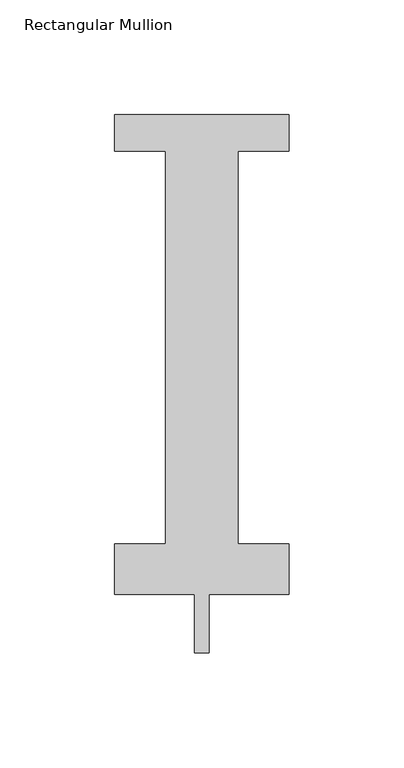
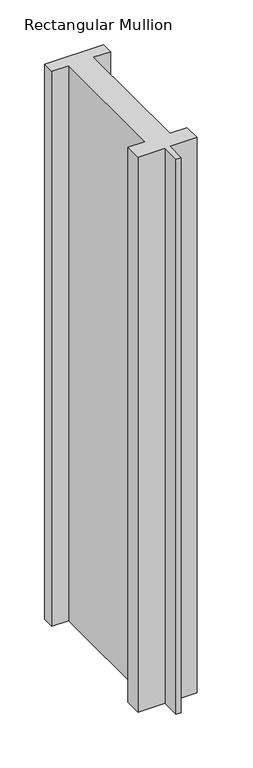
"""IFC4 building model written with IfcOpenShell, lengths in millimetres: member geometry, Rectangular Mullion."""

import ifcopenshell
import ifcopenshell.guid

model = None  # the IFC model being written
_history = None  # IfcOwnerHistory: only IFC2X3 demands one
_inside = {}  # id of a spatial element -> (the spatial element, [elements in it])
_under = {}  # id of a project, library or spatial element -> (it, [spatial elements below it])
_declared = {}  # id of a project -> (the project, [libraries it declares])
_typed = {}  # id of a type object -> (the type object, [elements of that type])
_made_of = {}  # id of a material, layer set ... -> (it, [elements and type objects made of it])


def new_model(schema):
    """Start an empty IFC model of exactly this schema.

    Asked for "IFC4X3", IfcOpenShell would pick the latest addendum, in which some entities
    have other attributes; the version numbers below select the first issue.
    IFC2X3 requires an IfcOwnerHistory on every rooted entity: one is made here for all.
    """
    global model, _history
    if schema == "IFC4X3":
        model = ifcopenshell.file(schema_version=(4, 3, 0, 0))
    else:
        model = ifcopenshell.file(schema=schema)
    _inside.clear()
    _under.clear()
    _declared.clear()
    _typed.clear()
    _made_of.clear()
    _history = None
    if model.schema == "IFC2X3":
        org = make("IfcOrganization", Name="unknown")
        user = make(
            "IfcPersonAndOrganization",
            ThePerson=make("IfcPerson", FamilyName="unknown"),
            TheOrganization=org,
        )
        app = make(
            "IfcApplication",
            ApplicationDeveloper=org,
            Version="unknown",
            ApplicationFullName="unknown",
            ApplicationIdentifier="unknown",
        )
        _history = make(
            "IfcOwnerHistory",
            OwningUser=user,
            OwningApplication=app,
            ChangeAction="ADDED",
            CreationDate=0,
        )
    return model


def make(cls, **values):
    """One entity of the class cls with the attributes given. An attribute that is None is left unset."""
    return model.create_entity(
        cls, **{name: value for name, value in values.items() if value is not None}
    )


def rooted(cls, **values):
    """An entity with a GlobalId (a new one), such as an element, a storey or a relation."""
    return make(cls, GlobalId=ifcopenshell.guid.new(), OwnerHistory=_history, **values)


def si_unit(unit_type, name, prefix=None):
    """IfcSIUnit, for example si_unit("LENGTHUNIT", "METRE", prefix="MILLI")."""
    return make("IfcSIUnit", UnitType=unit_type, Prefix=prefix, Name=name)


def assignment(units):
    """IfcUnitAssignment: the units of a project."""
    return None if units is None else make("IfcUnitAssignment", Units=units)


def point(xyz):
    """IfcCartesianPoint."""
    return None if xyz is None else make("IfcCartesianPoint", Coordinates=xyz)


def direction(xyz):
    """IfcDirection."""
    return None if xyz is None else make("IfcDirection", DirectionRatios=xyz)


def frame(location, z_axis=None, x_axis=None):
    """IfcAxis2Placement3D, a coordinate frame: its origin and axes. An axis left out is left unset."""
    return make(
        "IfcAxis2Placement3D",
        Location=point(location),
        Axis=direction(z_axis),
        RefDirection=direction(x_axis),
    )


def origin():
    """The frame at (0, 0, 0) with its axes left unset."""
    return frame((0.0, 0.0, 0.0))


def place(relative_to, where):
    """IfcLocalPlacement: puts the frame where relative to a parent placement (None: the world)."""
    return make(
        "IfcLocalPlacement", PlacementRelTo=relative_to, RelativePlacement=where
    )


def context(
    kind, dimensions, precision=None, world=None, true_north=None, identifier=None
):
    """IfcGeometricRepresentationContext, for example the 3D "Model" context."""
    return make(
        "IfcGeometricRepresentationContext",
        ContextIdentifier=identifier,
        ContextType=kind,
        CoordinateSpaceDimension=dimensions,
        Precision=precision,
        WorldCoordinateSystem=world,
        TrueNorth=true_north,
    )


def project(units=None, contexts=None):
    """IfcProject with its units and contexts."""
    return rooted(
        "IfcProject",
        Name="project",
        RepresentationContexts=contexts,
        UnitsInContext=assignment(units),
    )


def spatial(cls, under=None, at=None, **own):
    """A site, building, storey or space (cls), placed at a placement, below another one or the project."""
    s = rooted(cls, ObjectPlacement=at, **own)
    if under is not None:
        _under.setdefault(under.id(), (under, []))[1].append(s)
    return s


def polyline(points):
    """IfcPolyline through the points."""
    return make("IfcPolyline", Points=[point(p) for p in points])


def outline(outer, holes=None, kind="AREA"):
    """IfcArbitraryClosedProfileDef: a profile drawn as a closed curve; with holes, ...WithVoids."""
    if holes is None:
        return make("IfcArbitraryClosedProfileDef", ProfileType=kind, OuterCurve=outer)
    return make(
        "IfcArbitraryProfileDefWithVoids",
        ProfileType=kind,
        OuterCurve=outer,
        InnerCurves=holes,
    )


def extrude(swept, where, along, depth):
    """IfcExtrudedAreaSolid: the profile swept, set in the frame where, extruded along a direction by depth."""
    return make(
        "IfcExtrudedAreaSolid",
        SweptArea=swept,
        Position=where,
        ExtrudedDirection=direction(along),
        Depth=depth,
    )


def shape(context_of_items, identifier, shape_type, items):
    """IfcShapeRepresentation: the items that make up one representation, for example the "Body"."""
    return make(
        "IfcShapeRepresentation",
        ContextOfItems=context_of_items,
        RepresentationIdentifier=identifier,
        RepresentationType=shape_type,
        Items=items,
    )


def source(mapping_origin, context_of_items, identifier, shape_type, items):
    """IfcRepresentationMap: a shape defined once, which mapped items show again and again."""
    return make(
        "IfcRepresentationMap",
        MappingOrigin=mapping_origin,
        MappedRepresentation=shape(context_of_items, identifier, shape_type, items),
    )


def transform(
    local_origin,
    x_axis=None,
    y_axis=None,
    z_axis=None,
    scale=None,
    scale2=None,
    scale3=None,
    uniform=True,
):
    """IfcCartesianTransformationOperator3D, or its non-uniform kind. x_axis, y_axis, z_axis: its Axis1, 2, 3."""
    if uniform:
        return make(
            "IfcCartesianTransformationOperator3D",
            Axis1=direction(x_axis),
            Axis2=direction(y_axis),
            LocalOrigin=point(local_origin),
            Scale=scale,
            Axis3=direction(z_axis),
        )
    return make(
        "IfcCartesianTransformationOperator3DnonUniform",
        Axis1=direction(x_axis),
        Axis2=direction(y_axis),
        LocalOrigin=point(local_origin),
        Scale=scale,
        Axis3=direction(z_axis),
        Scale2=scale2,
        Scale3=scale3,
    )


def mapped(mapping_source, mapping_target):
    """IfcMappedItem: shows the shape of a source again, moved by a transform."""
    return make(
        "IfcMappedItem", MappingSource=mapping_source, MappingTarget=mapping_target
    )


def made_of(thing, what):
    """Note that an element or type object is made of a material, layer set ...; save() writes the relation."""
    if what is not None:
        _made_of.setdefault(what.id(), (what, []))[1].append(thing)
    return thing


def element(
    cls,
    number,
    at=None,
    inside=None,
    cuts=None,
    type_object=None,
    material=None,
    context=None,
    identifier="Body",
    shape_type=None,
    held_by="IfcProductDefinitionShape",
    body=None,
    shapes=None,
    **own,
):
    """One element of the class cls, such as IfcWall. Its Tag is "e" and its number.

    at: its placement. inside: the storey or other place that contains it. cuts: it is an
    opening in that element (IfcRelVoidsElement). A single representation is given by context,
    identifier, shape_type and body (its items); several are given by shapes. held_by: the class
    of the entity that holds the representations. save() writes the other relations.
    """
    e = rooted(cls, Tag="e%d" % number, ObjectPlacement=at, **own)
    if body is not None:
        shapes = [shape(context, identifier, shape_type, body)]
    if shapes is not None:
        e.Representation = make(held_by, Representations=shapes)
    if inside is not None:
        _inside.setdefault(inside.id(), (inside, []))[1].append(e)
    if cuts is not None:
        rooted(
            "IfcRelVoidsElement", RelatingBuildingElement=cuts, RelatedOpeningElement=e
        )
    if type_object is not None:
        _typed.setdefault(type_object.id(), (type_object, []))[1].append(e)
    return made_of(e, material)


def aggregate(whole, parts):
    """IfcRelAggregates: a whole, such as a stair, and the parts it consists of."""
    return rooted("IfcRelAggregates", RelatingObject=whole, RelatedObjects=parts)


def save(model, path):
    """Write the relations noted so far, then the file.

    IfcRelAggregates (storeys below a building ...), IfcRelContainedInSpatialStructure (elements
    in a storey), IfcRelDefinesByType, IfcRelAssociatesMaterial and IfcRelDeclares: one each for
    every whole, place, type object, material and project.
    """
    for whole, parts in _under.values():
        aggregate(whole, parts)
    for where, things in _inside.values():
        rooted(
            "IfcRelContainedInSpatialStructure",
            RelatedElements=things,
            RelatingStructure=where,
        )
    for kind, things in _typed.values():
        rooted("IfcRelDefinesByType", RelatedObjects=things, RelatingType=kind)
    for what, things in _made_of.values():
        rooted("IfcRelAssociatesMaterial", RelatedObjects=things, RelatingMaterial=what)
    for by, libraries in _declared.values():
        rooted("IfcRelDeclares", RelatingContext=by, RelatedDefinitions=libraries)
    model.write(path)


def rectangular_mullion_f6776209(model_context):
    return source(origin(), model_context, "Body", "SweptSolid", [
        extrude(outline(polyline([(38.1, 221.996), (38.1, 206.121), (15.875, 206.121), (15.875, 34.671), (38.1, 34.671), (38.1, 12.7), (3.175, 12.7), (3.175, -12.7), (-3.175, -12.7), (-3.175, 12.7), (-38.1, 12.7), (-38.1, 34.671), (-15.875, 34.671), (-15.875, 206.121), (-38.1, 206.121), (-38.1, 221.996), (38.1, 221.996)])), frame((0.0, 0.0, -758.825), z_axis=(0.0, 0.0, 1.0), x_axis=(1.0, 0.0, 0.0)), (0.0, 0.0, 1.0), 758.825),
    ])


if __name__ == "__main__":
    model = new_model("IFC4")
    model_context = context("Model", 3, world=origin())
    ifc_project = project(units=[si_unit("LENGTHUNIT", "METRE", prefix="MILLI")], contexts=[model_context])
    site = spatial("IfcSite", under=ifc_project)
    building = spatial("IfcBuilding", under=site)
    placement = place(None, origin())
    rectangular_mullion_shape = rectangular_mullion_f6776209(model_context)
    element("IfcMember", 1, ObjectType="Rectangular Mullion", at=placement, inside=building, context=model_context, shape_type="MappedRepresentation", body=[
        mapped(rectangular_mullion_shape, transform((0.0, 0.0, 0.0), x_axis=(1.0, 0.0, 0.0), y_axis=(0.0, 1.0, 0.0), z_axis=(0.0, 0.0, 1.0))),
    ])
    save(model, "model.ifc")
